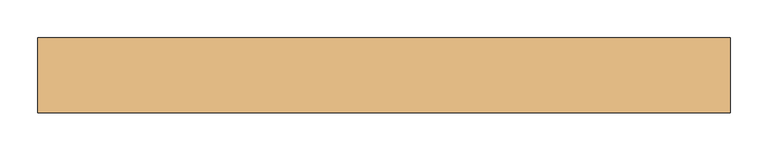
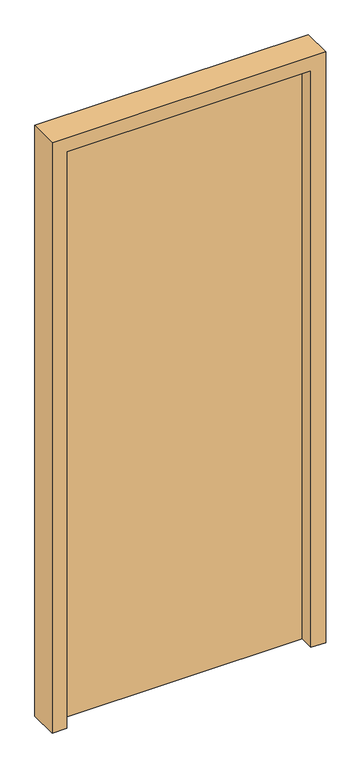
"""IFC4 building model written with IfcOpenShell, lengths in millimetres: door geometry."""

from ifc_helpers import new_model, si_unit, frame, origin, origin_with_axes, place, context, project, spatial, polyline, outline, extrude, source, transform, mapped, element, save


def door_13706d25(model_context):
    return source(origin(), model_context, "Body", "SweptSolid", [
        extrude(outline(polyline([(410.0, 100.0), (410.0, 50.0), (-410.0, 50.0), (-410.0, 100.0), (410.0, 100.0)])), origin_with_axes(), (0.0, 0.0, 1.0), 2050.0),
        extrude(outline(polyline([(0.0, -460.0), (0.0, -410.0), (2050.0, -410.0), (2050.0, 410.0), (0.0, 410.0), (0.0, 460.0), (2100.0, 460.0), (2100.0, -460.0), (0.0, -460.0)])), frame((0.0, 0.0, 0.0), z_axis=(0.0, 1.0, 0.0), x_axis=(0.0, 0.0, 1.0)), (0.0, 0.0, 1.0), 100.0),
    ])


if __name__ == "__main__":
    model = new_model("IFC4")
    model_context = context("Model", 3, world=origin())
    ifc_project = project(units=[si_unit("LENGTHUNIT", "METRE", prefix="MILLI")], contexts=[model_context])
    site = spatial("IfcSite", under=ifc_project)
    building = spatial("IfcBuilding", under=site)
    placement = place(None, origin())
    door_shape = door_13706d25(model_context)
    element("IfcDoor", 1, at=placement, inside=building, context=model_context, shape_type="MappedRepresentation", body=[
        mapped(door_shape, transform((0.0, 0.0, 0.0), x_axis=(1.0, 0.0, 0.0), y_axis=(0.0, 1.0, 0.0), z_axis=(0.0, 0.0, 1.0))),
    ])
    save(model, "model.ifc")
